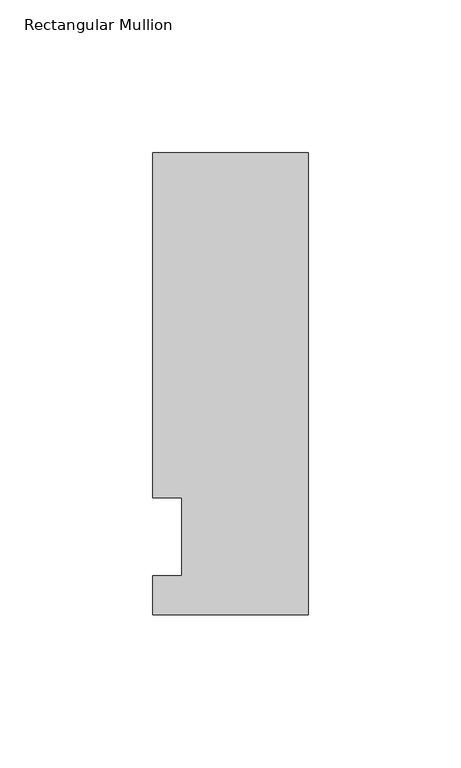
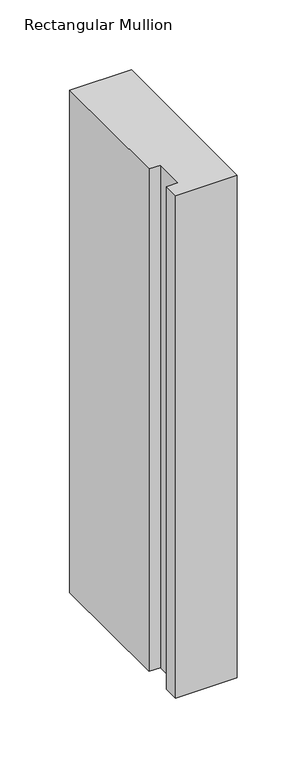
"""IFC4 building model written with IfcOpenShell, lengths in millimetres: member geometry, Rectangular Mullion."""

from ifc_helpers import new_model, si_unit, frame, origin, place, context, project, spatial, polyline, outline, extrude, source, transform, mapped, element, save


def rectangular_mullion_7506c6bd(model_context):
    return source(origin(), model_context, "Body", "SweptSolid", [
        extrude(outline(polyline([(-50.8, -25.5984375), (-50.8, -12.7), (-41.275, -12.7), (-41.275, 12.7), (-50.8, 12.7), (-50.8, 125.6109375), (0.0, 125.6109375), (0.0, -25.5984375), (-50.8, -25.5984375)])), frame((0.0, 0.0, -438.15), z_axis=(0.0, 0.0, 1.0), x_axis=(1.0, 0.0, 0.0)), (0.0, 0.0, 1.0), 438.15),
    ])


if __name__ == "__main__":
    model = new_model("IFC4")
    model_context = context("Model", 3, world=origin())
    ifc_project = project(units=[si_unit("LENGTHUNIT", "METRE", prefix="MILLI")], contexts=[model_context])
    site = spatial("IfcSite", under=ifc_project)
    building = spatial("IfcBuilding", under=site)
    placement = place(None, origin())
    rectangular_mullion_shape = rectangular_mullion_7506c6bd(model_context)
    element("IfcMember", 1, ObjectType="Rectangular Mullion", at=placement, inside=building, context=model_context, shape_type="MappedRepresentation", body=[
        mapped(rectangular_mullion_shape, transform((0.0, 0.0, 0.0), x_axis=(1.0, 0.0, 0.0), y_axis=(0.0, 1.0, 0.0), z_axis=(0.0, 0.0, 1.0))),
    ])
    save(model, "model.ifc")
